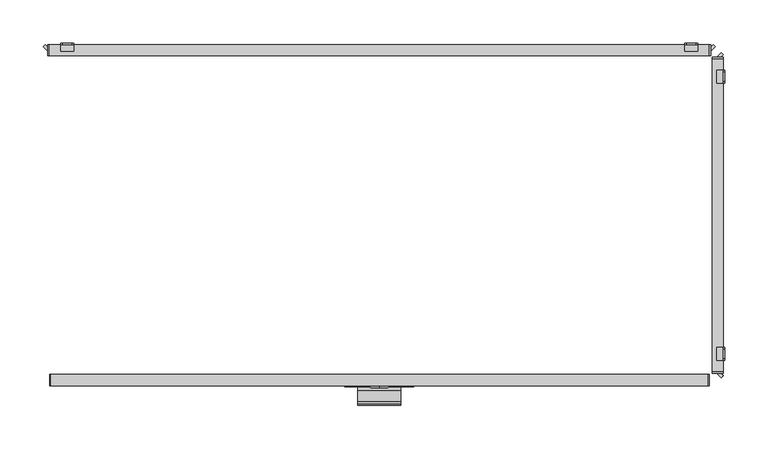
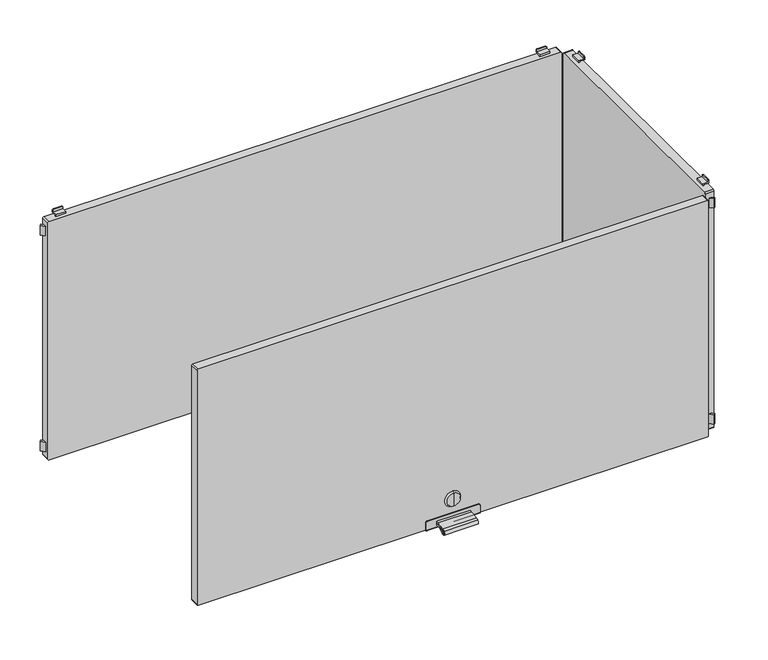
"""IFC4 building model written with IfcOpenShell, lengths in millimetres: furniture geometry."""

from ifc_helpers import new_model, si_unit, point, frame, frame_2d, origin, place, context, project, spatial, polyline, circle_curve, trimmed, segment, composite_curve, outline, extrude, source, transform, mapped, element, save
from ifc_brep_helpers import plane_surface, cylinder_surface, revolved_surface, advanced_brep


def furniture_13b8f301(model_context):
    return source(origin(), model_context, "Body", "SolidModel", [
        extrude(outline(composite_curve([segment(polyline([(-202.226909, 530.4286545), (-198.5, 530.4286545), (-198.5, 528.5286545), (-202.226909, 528.5286545)]), True, "CONTINUOUS"), segment(trimmed(circle_curve(frame_2d((-202.226909, 486.4886922)), 42.0399623), [point((-202.226909, 528.5286545))], [point((-214.4555436, 526.710812))], True, "CARTESIAN"), True, "CONTINUOUS"), segment(trimmed(circle_curve(frame_2d((-212.0259096, 518.7193203)), 8.352668), [point((-214.4555436, 526.710812))], [point((-216.9670362, 525.4537341))], True, "CARTESIAN"), True, "CONTINUOUS"), segment(trimmed(circle_curve(frame_2d((-215.7726745, 523.8259018)), 2.0189943), [point((-216.9670362, 525.4537341))], [point((-214.4167634, 522.3299595))], True, "CARTESIAN"), True, "CONTINUOUS"), segment(trimmed(circle_curve(frame_2d((-202.2269079, 508.8812021)), 18.1510786), [point((-214.4167634, 522.3299595))], [point((-202.2269079, 527.0322806))], False, "CARTESIAN"), True, "CONTINUOUS"), segment(polyline([(-202.2269079, 527.0322806), (-198.5, 527.0322806), (-198.5, 525.1322806), (-202.2269079, 525.1322806)]), True, "CONTINUOUS"), segment(trimmed(circle_curve(frame_2d((-202.2269079, 508.8812021)), 16.2510786), [point((-202.2269079, 525.1322806))], [point((-213.1407662, 520.9221843))], True, "CARTESIAN"), True, "CONTINUOUS"), segment(trimmed(circle_curve(frame_2d((-215.7726745, 523.8259018)), 3.9189943), [point((-213.1407662, 520.9221843))], [point((-218.0910053, 526.9856263))], False, "CARTESIAN"), True, "CONTINUOUS"), segment(trimmed(circle_curve(frame_2d((-212.0259096, 518.7193203)), 10.252668), [point((-218.0910053, 526.9856263))], [point((-215.0082179, 528.5286545))], False, "CARTESIAN"), True, "CONTINUOUS"), segment(trimmed(circle_curve(frame_2d((-202.226909, 486.4886922)), 43.9399623), [point((-215.0082179, 528.5286545))], [point((-202.226909, 530.4286545))], False, "CARTESIAN"), True, "CONTINUOUS")], self_intersect=False)), frame((-25.0, 0.0, 0.0), z_axis=(1.0, 0.0, 0.0), x_axis=(0.0, 1.0, 0.0)), (0.0, 0.0, 1.0), 50.0),
        advanced_brep(
        [(0.0, -199.7, 556.6837841), (0.0, -199.7, 566.6265951), (0.0, -199.7, 546.740973), (0.0, -197.0, 544.8059292), (0.0, -197.0, 568.5616389), (0.0, -197.0, 556.6837841)],
        [
            (0, 1),
            (1, 2, circle_curve(frame((0.0, -199.7, 556.6837841), z_axis=(0.0, -1.0, 0.0), x_axis=(0.0, 0.0, 1.0)), 9.9428111)),
            (2, 0),
            (2, 1, circle_curve(frame((0.0, -199.7, 556.6837841), z_axis=(0.0, -1.0, 0.0), x_axis=(0.0, 0.0, 1.0)), 9.9428111)),
            (3, 4, circle_curve(frame((0.0, -197.0, 556.6837841), z_axis=(0.0, 1.0, 0.0), x_axis=(0.0, 0.0, 1.0)), 11.8778548)),
            (4, 5),
            (5, 3),
            (4, 3, circle_curve(frame((0.0, -197.0, 556.6837841), z_axis=(0.0, 1.0, 0.0), x_axis=(0.0, 0.0, 1.0)), 11.8778548)),
            (1, 4),
            (3, 2),
        ],
        [
            plane_surface(frame((0.0, -199.7, 556.6837841), z_axis=(0.0, -1.0, 0.0), x_axis=(0.0, 0.0, 1.0))),
            plane_surface(frame((0.0, -197.0, 556.6837841), z_axis=(0.0, 1.0, 0.0), x_axis=(0.0, 0.0, 1.0))),
            revolved_surface(polyline([(0.0, -197.0, 568.5616389), (0.0, -199.7, 566.6265951)]), (0.0, -202.2563621, 556.6837841), (0.0, -1.0, 0.0)),
        ],
        [
            (0, [[1, 2, 3]]),
            (0, [[-3, 4, -1]]),
            (1, [[5, 6, 7]]),
            (1, [[8, -7, -6]]),
            (2, [[-2, 9, -5, 10]]),
            (2, [[-4, -10, -8, -9]]),
        ],
    ),
        advanced_brep(
        [(38.2, -198.5, 535.0), (-38.2, -198.5, 535.0), (-40.0, -198.5, 533.2), (-40.0, -198.5, 522.0), (40.0, -198.5, 522.0), (40.0, -198.5, 533.2), (38.2, -197.0, 535.0), (40.0, -197.0, 533.2), (40.0, -197.0, 521.5), (-40.0, -197.0, 521.5), (-40.0, -197.0, 533.2), (-38.2, -197.0, 535.0), (-40.0, -184.0, 521.5), (-40.0, -184.0, 520.0), (-40.0, -196.5, 520.0), (40.0, -196.5, 520.0), (40.0, -184.0, 520.0), (40.0, -184.0, 521.5)],
        [
            (0, 1),
            (1, 2, circle_curve(frame((-38.2, -198.5, 533.2), z_axis=(0.0, -1.0, 0.0), x_axis=(1.0, 0.0, 0.0)), 1.8)),
            (2, 3),
            (3, 4),
            (4, 5),
            (5, 0, circle_curve(frame((38.2, -198.5, 533.2), z_axis=(0.0, -1.0, 0.0), x_axis=(1.0, 0.0, 0.0)), 1.8)),
            (6, 7, circle_curve(frame((38.2, -197.0, 533.2), z_axis=(0.0, 1.0, 0.0), x_axis=(1.0, 0.0, 0.0)), 1.8)),
            (7, 8),
            (8, 9),
            (9, 10),
            (10, 11, circle_curve(frame((-38.2, -197.0, 533.2), z_axis=(0.0, 1.0, 0.0), x_axis=(1.0, 0.0, 0.0)), 1.8)),
            (11, 6),
            (0, 6),
            (11, 1),
            (10, 2),
            (9, 12),
            (12, 13),
            (13, 14),
            (14, 3, circle_curve(frame((-40.0, -196.5, 522.0), z_axis=(-1.0, 0.0, 0.0), x_axis=(0.0, 1.0, 0.0)), 2.0)),
            (4, 15, circle_curve(frame((40.0, -196.5, 522.0), z_axis=(1.0, 0.0, 0.0), x_axis=(0.0, 1.0, 0.0)), 2.0)),
            (15, 16),
            (16, 17),
            (17, 8),
            (7, 5),
            (15, 14),
            (13, 16),
            (12, 17),
        ],
        [
            plane_surface(frame((-40.0, -198.5, 535.0), z_axis=(0.0, -1.0, 0.0), x_axis=(-1.0, 0.0, 0.0))),
            plane_surface(frame((-40.0, -197.0, 535.0), z_axis=(0.0, 1.0, 0.0), x_axis=(1.0, 0.0, 0.0))),
            plane_surface(frame((38.2, -198.5, 535.0), z_axis=(0.0, 0.0, 1.0), x_axis=(0.0, 1.0, 0.0))),
            cylinder_surface(frame((-38.2, -197.0, 533.2), z_axis=(0.0, -1.0, 0.0), x_axis=(1.0, 0.0, 0.0)), 1.8),
            plane_surface(frame((-40.0, -198.5, 533.2), z_axis=(-1.0, 0.0, 0.0), x_axis=(0.0, 1.0, 0.0))),
            plane_surface(frame((40.0, -198.5, 524.5), z_axis=(1.0, 0.0, 0.0), x_axis=(0.0, 1.0, 0.0))),
            cylinder_surface(frame((38.2, -197.0, 533.2), z_axis=(0.0, -1.0, 0.0), x_axis=(1.0, 0.0, 0.0)), 1.8),
            plane_surface(frame((40.0, -196.5, 520.0), z_axis=(0.0, 0.0, -1.0), x_axis=(-1.0, 0.0, 0.0))),
            plane_surface(frame((40.0, -184.0, 520.0), z_axis=(0.0, 1.0, 0.0), x_axis=(-1.0, 0.0, 0.0))),
            plane_surface(frame((40.0, -184.0, 521.5), z_axis=(0.0, 0.0, 1.0), x_axis=(-1.0, 0.0, 0.0))),
            cylinder_surface(frame((-40.0, -196.5, 522.0), z_axis=(1.0, 0.0, 0.0), x_axis=(0.0, 1.0, 0.0)), 2.0),
        ],
        [
            (0, [[1, 2, 3, 4, 5, 6]]),
            (1, [[7, 8, 9, 10, 11, 12]]),
            (2, [[-1, 13, -12, 14]]),
            (3, [[-2, -14, -11, 15]]),
            (4, [[-3, -15, -10, 16, 17, 18, 19]]),
            (5, [[-5, 20, 21, 22, 23, -8, 24]]),
            (6, [[-6, -24, -7, -13]]),
            (7, [[-21, 25, -18, 26]]),
            (8, [[-22, -26, -17, 27]]),
            (9, [[-23, -27, -16, -9]]),
            (10, [[-20, -4, -19, -25]]),
        ],
    ),
        extrude(outline(composite_curve([segment(polyline([(893.5, 379.0), (893.5, -379.0)]), True, "CONTINUOUS"), segment(trimmed(circle_curve(frame_2d((892.0, -379.0)), 1.5), [point((893.5, -379.0))], [point((892.0, -380.5))], False, "CARTESIAN"), True, "CONTINUOUS"), segment(polyline([(892.0, -380.5), (523.0, -380.5)]), True, "CONTINUOUS"), segment(trimmed(circle_curve(frame_2d((523.0, -379.0)), 1.5), [point((523.0, -380.5))], [point((521.5, -379.0))], False, "CARTESIAN"), True, "CONTINUOUS"), segment(polyline([(521.5, -379.0), (521.5, 379.0)]), True, "CONTINUOUS"), segment(trimmed(circle_curve(frame_2d((523.0, 379.0)), 1.5), [point((521.5, 379.0))], [point((523.0, 380.5))], False, "CARTESIAN"), True, "CONTINUOUS"), segment(polyline([(523.0, 380.5), (892.0, 380.5)]), True, "CONTINUOUS"), segment(trimmed(circle_curve(frame_2d((892.0, 379.0)), 1.5), [point((892.0, 380.5))], [point((893.5, 379.0))], False, "CARTESIAN"), True, "CONTINUOUS")], self_intersect=False)), frame((0.0, -197.0, 0.0), z_axis=(0.0, 1.0, 0.0), x_axis=(0.0, 0.0, 1.0)), (0.0, 0.0, 1.0), 13.0),
        advanced_brep(
        [(352.5, 197.0, 515.5), (354.5, 197.0, 513.5), (365.5, 197.0, 513.5), (367.5, 197.0, 515.5), (367.5, 197.0, 517.0), (352.5, 197.0, 517.0), (352.5, 198.5, 518.5), (367.5, 198.5, 518.5), (367.5, 198.5, 515.5), (365.5, 198.5, 513.5), (354.5, 198.5, 513.5), (352.5, 198.5, 515.5), (352.5, 189.5011497, 517.0), (352.5, 189.5011497, 520.0), (352.5, 191.0011497, 520.0), (352.5, 191.0011497, 518.5), (367.5, 191.0011497, 518.5), (367.5, 191.0011497, 520.0), (367.5, 189.5011497, 520.0), (367.5, 189.5011497, 517.0)],
        [
            (0, 1, circle_curve(frame((354.5, 197.0, 515.5), z_axis=(0.0, -1.0, 0.0), x_axis=(1.0, 0.0, 0.0)), 2.0)),
            (1, 2),
            (2, 3, circle_curve(frame((365.5, 197.0, 515.5), z_axis=(0.0, -1.0, 0.0), x_axis=(1.0, 0.0, 0.0)), 2.0)),
            (3, 4),
            (4, 5),
            (5, 0),
            (6, 7),
            (7, 8),
            (8, 9, circle_curve(frame((365.5, 198.5, 515.5), z_axis=(0.0, 1.0, 0.0), x_axis=(1.0, 0.0, 0.0)), 2.0)),
            (9, 10),
            (10, 11, circle_curve(frame((354.5, 198.5, 515.5), z_axis=(0.0, 1.0, 0.0), x_axis=(1.0, 0.0, 0.0)), 2.0)),
            (11, 6),
            (11, 0),
            (5, 12),
            (12, 13),
            (13, 14),
            (14, 15),
            (15, 6),
            (10, 1),
            (9, 2),
            (8, 3),
            (7, 16),
            (16, 17),
            (17, 18),
            (18, 19),
            (19, 4),
            (15, 16),
            (12, 19),
            (18, 13),
            (17, 14),
        ],
        [
            plane_surface(frame((352.5, 197.0, 517.0), z_axis=(0.0, -1.0, 0.0), x_axis=(0.0, 0.0, -1.0))),
            plane_surface(frame((352.5, 198.5, 517.0), z_axis=(0.0, 1.0, 0.0), x_axis=(0.0, 0.0, 1.0))),
            plane_surface(frame((352.5, 197.0, 518.5), z_axis=(-1.0, 0.0, 0.0), x_axis=(0.0, 1.0, 0.0))),
            cylinder_surface(frame((354.5, 198.5, 515.5), z_axis=(0.0, -1.0, 0.0), x_axis=(1.0, 0.0, 0.0)), 2.0),
            plane_surface(frame((354.5, 197.0, 513.5), z_axis=(0.0, 0.0, -1.0), x_axis=(0.0, 1.0, 0.0))),
            cylinder_surface(frame((365.5, 198.5, 515.5), z_axis=(0.0, -1.0, 0.0), x_axis=(1.0, 0.0, 0.0)), 2.0),
            plane_surface(frame((367.5, 197.0, 515.5), z_axis=(1.0, 0.0, 0.0), x_axis=(0.0, 1.0, 0.0))),
            plane_surface(frame((367.5, 197.0, 518.5), z_axis=(0.0, 0.0, 1.0), x_axis=(0.0, 1.0, 0.0))),
            plane_surface(frame((352.5, 189.5011497, 517.0), z_axis=(0.0, -1.0, 0.0), x_axis=(1.0, 0.0, 0.0))),
            plane_surface(frame((352.5, 189.5011497, 520.0), z_axis=(0.0, 0.0, 1.0), x_axis=(1.0, 0.0, 0.0))),
            plane_surface(frame((352.5, 191.0011497, 520.0), z_axis=(0.0, 1.0, 0.0), x_axis=(1.0, 0.0, 0.0))),
            plane_surface(frame((352.5, 197.0, 517.0), z_axis=(0.0, 0.0, -1.0), x_axis=(1.0, 0.0, 0.0))),
        ],
        [
            (0, [[1, 2, 3, 4, 5, 6]]),
            (1, [[7, 8, 9, 10, 11, 12]]),
            (2, [[-12, 13, -6, 14, 15, 16, 17, 18]]),
            (3, [[-1, -13, -11, 19]]),
            (4, [[-2, -19, -10, 20]]),
            (5, [[-3, -20, -9, 21]]),
            (6, [[-8, 22, 23, 24, 25, 26, -4, -21]]),
            (7, [[-22, -7, -18, 27]]),
            (8, [[-15, 28, -25, 29]]),
            (9, [[-16, -29, -24, 30]]),
            (10, [[-17, -30, -23, -27]]),
            (11, [[-14, -5, -26, -28]]),
        ],
    ),
        advanced_brep(
        [(-367.5, 197.0, 515.5), (-365.5, 197.0, 513.5), (-354.5, 197.0, 513.5), (-352.5, 197.0, 515.5), (-352.5, 197.0, 517.0), (-367.5, 197.0, 517.0), (-352.5, 198.5, 518.5), (-352.5, 198.5, 515.5), (-354.5, 198.5, 513.5), (-365.5, 198.5, 513.5), (-367.5, 198.5, 515.5), (-367.5, 198.5, 518.5), (-367.5, 191.0011497, 518.5), (-352.5, 191.0011497, 518.5), (-367.5, 189.5011497, 517.0), (-367.5, 189.5011497, 520.0), (-367.5, 191.0011497, 520.0), (-352.5, 191.0011497, 520.0), (-352.5, 189.5011497, 520.0), (-352.5, 189.5011497, 517.0)],
        [
            (0, 1, circle_curve(frame((-365.5, 197.0, 515.5), z_axis=(0.0, -1.0, 0.0), x_axis=(1.0, 0.0, 0.0)), 2.0)),
            (1, 2),
            (2, 3, circle_curve(frame((-354.5, 197.0, 515.5), z_axis=(0.0, -1.0, 0.0), x_axis=(1.0, 0.0, 0.0)), 2.0)),
            (3, 4),
            (4, 5),
            (5, 0),
            (6, 7),
            (7, 8, circle_curve(frame((-354.5, 198.5, 515.5), z_axis=(0.0, 1.0, 0.0), x_axis=(1.0, 0.0, 0.0)), 2.0)),
            (8, 9),
            (9, 10, circle_curve(frame((-365.5, 198.5, 515.5), z_axis=(0.0, 1.0, 0.0), x_axis=(1.0, 0.0, 0.0)), 2.0)),
            (10, 11),
            (11, 6),
            (11, 12),
            (12, 13),
            (13, 6),
            (10, 0),
            (5, 14),
            (14, 15),
            (15, 16),
            (16, 12),
            (9, 1),
            (8, 2),
            (7, 3),
            (13, 17),
            (17, 18),
            (18, 19),
            (19, 4),
            (18, 15),
            (14, 19),
            (17, 16),
        ],
        [
            plane_surface(frame((352.5, 197.0, 517.0), z_axis=(0.0, -1.0, 0.0), x_axis=(0.0, 0.0, -1.0))),
            plane_surface(frame((352.5, 198.5, 517.0), z_axis=(0.0, 1.0, 0.0), x_axis=(0.0, 0.0, 1.0))),
            plane_surface(frame((-352.5, 197.0, 518.5), z_axis=(0.0, 0.0, 1.0), x_axis=(0.0, 1.0, 0.0))),
            plane_surface(frame((-367.5, 197.0, 518.5), z_axis=(-1.0, 0.0, 0.0), x_axis=(0.0, 1.0, 0.0))),
            cylinder_surface(frame((-365.5, 200.0, 515.5), z_axis=(0.0, -1.0, 0.0), x_axis=(1.0, 0.0, 0.0)), 2.0),
            plane_surface(frame((-365.5, 197.0, 513.5), z_axis=(0.0, 0.0, -1.0), x_axis=(0.0, 1.0, 0.0))),
            cylinder_surface(frame((-354.5, 200.0, 515.5), z_axis=(0.0, -1.0, 0.0), x_axis=(1.0, 0.0, 0.0)), 2.0),
            plane_surface(frame((-352.5, 197.0, 515.5), z_axis=(1.0, 0.0, 0.0), x_axis=(0.0, 1.0, 0.0))),
            plane_surface(frame((-352.5, 189.5011497, 520.0), z_axis=(0.0, -1.0, 0.0), x_axis=(-1.0, 0.0, 0.0))),
            plane_surface(frame((-352.5, 191.0011497, 520.0), z_axis=(0.0, 0.0, 1.0), x_axis=(-1.0, 0.0, 0.0))),
            plane_surface(frame((-352.5, 191.0011497, 518.5), z_axis=(0.0, 1.0, 0.0), x_axis=(-1.0, 0.0, 0.0))),
            plane_surface(frame((-352.5, 189.5011497, 517.0), z_axis=(0.0, 0.0, -1.0), x_axis=(-1.0, 0.0, 0.0))),
        ],
        [
            (0, [[1, 2, 3, 4, 5, 6]]),
            (1, [[7, 8, 9, 10, 11, 12]]),
            (2, [[-12, 13, 14, 15]]),
            (3, [[-11, 16, -6, 17, 18, 19, 20, -13]]),
            (4, [[-1, -16, -10, 21]]),
            (5, [[-2, -21, -9, 22]]),
            (6, [[-3, -22, -8, 23]]),
            (7, [[-7, -15, 24, 25, 26, 27, -4, -23]]),
            (8, [[-26, 28, -18, 29]]),
            (9, [[-25, 30, -19, -28]]),
            (10, [[-24, -14, -20, -30]]),
            (11, [[-27, -29, -17, -5]]),
        ],
    ),
        advanced_brep(
        [(367.5, 197.0, 899.5), (365.5, 197.0, 901.5), (354.5, 197.0, 901.5), (352.5, 197.0, 899.5), (352.5, 197.0, 898.0), (367.5, 197.0, 898.0), (352.5, 198.5, 896.5), (352.5, 198.5, 899.5), (354.5, 198.5, 901.5), (365.5, 198.5, 901.5), (367.5, 198.5, 899.5), (367.5, 198.5, 896.5), (352.5, 189.5011497, 898.0), (352.5, 191.0011497, 896.5), (352.5, 191.0011497, 895.0), (352.5, 189.5011497, 895.0), (367.5, 189.5011497, 898.0), (367.5, 189.5011497, 895.0), (367.5, 191.0011497, 895.0), (367.5, 191.0011497, 896.5)],
        [
            (0, 1, circle_curve(frame((365.5, 197.0, 899.5), z_axis=(0.0, -1.0, 0.0), x_axis=(1.0, 0.0, 0.0)), 2.0)),
            (1, 2),
            (2, 3, circle_curve(frame((354.5, 197.0, 899.5), z_axis=(0.0, -1.0, 0.0), x_axis=(1.0, 0.0, 0.0)), 2.0)),
            (3, 4),
            (4, 5),
            (5, 0),
            (6, 7),
            (7, 8, circle_curve(frame((354.5, 198.5, 899.5), z_axis=(0.0, 1.0, 0.0), x_axis=(1.0, 0.0, 0.0)), 2.0)),
            (8, 9),
            (9, 10, circle_curve(frame((365.5, 198.5, 899.5), z_axis=(0.0, 1.0, 0.0), x_axis=(1.0, 0.0, 0.0)), 2.0)),
            (10, 11),
            (11, 6),
            (12, 4),
            (3, 7),
            (6, 13),
            (13, 14),
            (14, 15),
            (15, 12),
            (16, 17),
            (17, 18),
            (18, 19),
            (19, 11),
            (10, 0),
            (5, 16),
            (19, 13),
            (9, 1),
            (8, 2),
            (12, 16),
            (18, 14),
            (17, 15),
        ],
        [
            plane_surface(frame((352.5, 197.0, 517.0), z_axis=(0.0, -1.0, 0.0), x_axis=(0.0, 0.0, -1.0))),
            plane_surface(frame((352.5, 198.5, 517.0), z_axis=(0.0, 1.0, 0.0), x_axis=(0.0, 0.0, 1.0))),
            plane_surface(frame((352.5, 197.0, 518.5), z_axis=(-1.0, 0.0, 0.0), x_axis=(0.0, 1.0, 0.0))),
            plane_surface(frame((367.5, 197.0, 515.5), z_axis=(1.0, 0.0, 0.0), x_axis=(0.0, 1.0, 0.0))),
            plane_surface(frame((352.5, 197.0, 896.5), z_axis=(0.0, 0.0, -1.0), x_axis=(0.0, 1.0, 0.0))),
            cylinder_surface(frame((365.5, 200.0, 899.5), z_axis=(0.0, -1.0, 0.0), x_axis=(1.0, 0.0, 0.0)), 2.0),
            plane_surface(frame((365.5, 197.0, 901.5), z_axis=(0.0, 0.0, 1.0), x_axis=(0.0, 1.0, 0.0))),
            cylinder_surface(frame((354.5, 200.0, 899.5), z_axis=(0.0, -1.0, 0.0), x_axis=(1.0, 0.0, 0.0)), 2.0),
            plane_surface(frame((352.5, 189.5011497, 898.0), z_axis=(0.0, 0.0, 1.0), x_axis=(1.0, 0.0, 0.0))),
            plane_surface(frame((352.5, 191.0011497, 896.5), z_axis=(0.0, 1.0, 0.0), x_axis=(1.0, 0.0, 0.0))),
            plane_surface(frame((352.5, 191.0011497, 895.0), z_axis=(0.0, 0.0, -1.0), x_axis=(1.0, 0.0, 0.0))),
            plane_surface(frame((352.5, 189.5011497, 895.0), z_axis=(0.0, -1.0, 0.0), x_axis=(1.0, 0.0, 0.0))),
        ],
        [
            (0, [[1, 2, 3, 4, 5, 6]]),
            (1, [[7, 8, 9, 10, 11, 12]]),
            (2, [[13, -4, 14, -7, 15, 16, 17, 18]]),
            (3, [[19, 20, 21, 22, -11, 23, -6, 24]]),
            (4, [[-15, -12, -22, 25]]),
            (5, [[-1, -23, -10, 26]]),
            (6, [[-2, -26, -9, 27]]),
            (7, [[-3, -27, -8, -14]]),
            (8, [[-13, 28, -24, -5]]),
            (9, [[-16, -25, -21, 29]]),
            (10, [[-17, -29, -20, 30]]),
            (11, [[-18, -30, -19, -28]]),
        ],
    ),
        advanced_brep(
        [(-352.5, 197.0, 899.5), (-354.5, 197.0, 901.5), (-365.5, 197.0, 901.5), (-367.5, 197.0, 899.5), (-367.5, 197.0, 898.0), (-352.5, 197.0, 898.0), (-352.5, 198.5, 896.5), (-367.5, 198.5, 896.5), (-367.5, 198.5, 899.5), (-365.5, 198.5, 901.5), (-354.5, 198.5, 901.5), (-352.5, 198.5, 899.5), (-367.5, 191.0011497, 896.5), (-367.5, 191.0011497, 895.0), (-367.5, 189.5011497, 895.0), (-367.5, 189.5011497, 898.0), (-352.5, 189.5011497, 898.0), (-352.5, 189.5011497, 895.0), (-352.5, 191.0011497, 895.0), (-352.5, 191.0011497, 896.5)],
        [
            (0, 1, circle_curve(frame((-354.5, 197.0, 899.5), z_axis=(0.0, -1.0, 0.0), x_axis=(1.0, 0.0, 0.0)), 2.0)),
            (1, 2),
            (2, 3, circle_curve(frame((-365.5, 197.0, 899.5), z_axis=(0.0, -1.0, 0.0), x_axis=(1.0, 0.0, 0.0)), 2.0)),
            (3, 4),
            (4, 5),
            (5, 0),
            (6, 7),
            (7, 8),
            (8, 9, circle_curve(frame((-365.5, 198.5, 899.5), z_axis=(0.0, 1.0, 0.0), x_axis=(1.0, 0.0, 0.0)), 2.0)),
            (9, 10),
            (10, 11, circle_curve(frame((-354.5, 198.5, 899.5), z_axis=(0.0, 1.0, 0.0), x_axis=(1.0, 0.0, 0.0)), 2.0)),
            (11, 6),
            (7, 12),
            (12, 13),
            (13, 14),
            (14, 15),
            (15, 4),
            (3, 8),
            (11, 0),
            (5, 16),
            (16, 17),
            (17, 18),
            (18, 19),
            (19, 6),
            (10, 1),
            (9, 2),
            (19, 12),
            (15, 16),
            (18, 13),
            (17, 14),
        ],
        [
            plane_surface(frame((352.5, 197.0, 517.0), z_axis=(0.0, -1.0, 0.0), x_axis=(0.0, 0.0, -1.0))),
            plane_surface(frame((352.5, 198.5, 517.0), z_axis=(0.0, 1.0, 0.0), x_axis=(0.0, 0.0, 1.0))),
            plane_surface(frame((-367.5, 197.0, 518.5), z_axis=(-1.0, 0.0, 0.0), x_axis=(0.0, 1.0, 0.0))),
            plane_surface(frame((-352.5, 197.0, 515.5), z_axis=(1.0, 0.0, 0.0), x_axis=(0.0, 1.0, 0.0))),
            cylinder_surface(frame((-354.5, 200.0, 899.5), z_axis=(0.0, -1.0, 0.0), x_axis=(1.0, 0.0, 0.0)), 2.0),
            plane_surface(frame((-354.5, 197.0, 901.5), z_axis=(0.0, 0.0, 1.0), x_axis=(0.0, 1.0, 0.0))),
            cylinder_surface(frame((-365.5, 200.0, 899.5), z_axis=(0.0, -1.0, 0.0), x_axis=(1.0, 0.0, 0.0)), 2.0),
            plane_surface(frame((-367.5, 197.0, 896.5), z_axis=(0.0, 0.0, -1.0), x_axis=(0.0, 1.0, 0.0))),
            plane_surface(frame((-352.5, 197.0, 898.0), z_axis=(0.0, 0.0, 1.0), x_axis=(-1.0, 0.0, 0.0))),
            plane_surface(frame((-352.5, 191.0011497, 895.0), z_axis=(0.0, 1.0, 0.0), x_axis=(-1.0, 0.0, 0.0))),
            plane_surface(frame((-352.5, 189.5011497, 895.0), z_axis=(0.0, 0.0, -1.0), x_axis=(-1.0, 0.0, 0.0))),
            plane_surface(frame((-352.5, 189.5011497, 898.0), z_axis=(0.0, -1.0, 0.0), x_axis=(-1.0, 0.0, 0.0))),
        ],
        [
            (0, [[1, 2, 3, 4, 5, 6]]),
            (1, [[7, 8, 9, 10, 11, 12]]),
            (2, [[-8, 13, 14, 15, 16, 17, -4, 18]]),
            (3, [[-12, 19, -6, 20, 21, 22, 23, 24]]),
            (4, [[-1, -19, -11, 25]]),
            (5, [[-2, -25, -10, 26]]),
            (6, [[-3, -26, -9, -18]]),
            (7, [[-7, -24, 27, -13]]),
            (8, [[-20, -5, -17, 28]]),
            (9, [[-23, 29, -14, -27]]),
            (10, [[-22, 30, -15, -29]]),
            (11, [[-21, -28, -16, -30]]),
        ],
    ),
        extrude(outline(polyline([(-385.3223305, 197.0), (-382.5, 194.1776695), (-382.5, 189.5011497), (-387.6605904, 194.6617401), (-385.3223305, 197.0)])), frame((0.0, 0.0, 530.0), z_axis=(0.0, 0.0, 1.0), x_axis=(1.0, 0.0, 0.0)), (0.0, 0.0, 1.0), 15.0),
        extrude(outline(polyline([(385.3223305, 197.0), (387.6605904, 194.6617401), (382.5, 189.5011497), (382.5, 194.1776695), (385.3223305, 197.0)])), frame((0.0, 0.0, 530.0), z_axis=(0.0, 0.0, 1.0), x_axis=(1.0, 0.0, 0.0)), (0.0, 0.0, 1.0), 15.0),
        extrude(outline(composite_curve([segment(trimmed(circle_curve(frame_2d((893.2, 380.7)), 1.8), [point((893.2, 382.5))], [point((895.0, 380.7))], False, "CARTESIAN"), True, "CONTINUOUS"), segment(polyline([(895.0, 380.7), (895.0, -380.7)]), True, "CONTINUOUS"), segment(trimmed(circle_curve(frame_2d((893.2, -380.7)), 1.8), [point((895.0, -380.7))], [point((893.2, -382.5))], False, "CARTESIAN"), True, "CONTINUOUS"), segment(polyline([(893.2, -382.5), (521.8, -382.5)]), True, "CONTINUOUS"), segment(trimmed(circle_curve(frame_2d((521.8, -380.7)), 1.8), [point((521.8, -382.5))], [point((520.0, -380.7))], False, "CARTESIAN"), True, "CONTINUOUS"), segment(polyline([(520.0, -380.7), (520.0, 380.7)]), True, "CONTINUOUS"), segment(trimmed(circle_curve(frame_2d((521.8, 380.7)), 1.8), [point((520.0, 380.7))], [point((521.8, 382.5))], False, "CARTESIAN"), True, "CONTINUOUS"), segment(polyline([(521.8, 382.5), (893.2, 382.5)]), True, "CONTINUOUS")], self_intersect=False)), frame((0.0, 183.999795, 0.0), z_axis=(0.0, 1.0, 0.0), x_axis=(0.0, 0.0, 1.0)), (0.0, 0.0, 1.0), 13.000205),
        extrude(outline(polyline([(-385.3223305, 197.0), (-382.5, 194.1776695), (-382.5, 189.5011497), (-387.6605904, 194.6617401), (-385.3223305, 197.0)])), frame((0.0, 0.0, 870.0), z_axis=(0.0, 0.0, 1.0), x_axis=(1.0, 0.0, 0.0)), (0.0, 0.0, 1.0), 15.0),
        extrude(outline(polyline([(385.3223305, 197.0), (387.6605904, 194.6617401), (382.5, 189.5011497), (382.5, 194.1776695), (385.3223305, 197.0)])), frame((0.0, 0.0, 870.0), z_axis=(0.0, 0.0, 1.0), x_axis=(1.0, 0.0, 0.0)), (0.0, 0.0, 1.0), 15.0),
        advanced_brep(
        [(397.0, 152.5, 515.5), (397.0, 152.5, 517.0), (397.0, 167.5, 517.0), (397.0, 167.5, 515.5), (397.0, 165.5, 513.5), (397.0, 154.5, 513.5), (398.5, 152.5, 518.5), (398.5, 152.5, 515.5), (398.5, 154.5, 513.5), (398.5, 165.5, 513.5), (398.5, 167.5, 515.5), (398.5, 167.5, 518.5), (391.0011497, 152.5, 518.5), (391.0011497, 152.5, 520.0), (389.5011497, 152.5, 520.0), (389.5011497, 152.5, 517.0), (389.5011497, 167.5, 517.0), (389.5011497, 167.5, 520.0), (391.0011497, 167.5, 520.0), (391.0011497, 167.5, 518.5)],
        [
            (0, 1),
            (1, 2),
            (2, 3),
            (3, 4, circle_curve(frame((397.0, 165.5, 515.5), z_axis=(-1.0, 0.0, 0.0), x_axis=(0.0, 1.0, 0.0)), 2.0)),
            (4, 5),
            (5, 0, circle_curve(frame((397.0, 154.5, 515.5), z_axis=(-1.0, 0.0, 0.0), x_axis=(0.0, 1.0, 0.0)), 2.0)),
            (6, 7),
            (7, 8, circle_curve(frame((398.5, 154.5, 515.5), z_axis=(1.0, 0.0, 0.0), x_axis=(0.0, 1.0, 0.0)), 2.0)),
            (8, 9),
            (9, 10, circle_curve(frame((398.5, 165.5, 515.5), z_axis=(1.0, 0.0, 0.0), x_axis=(0.0, 1.0, 0.0)), 2.0)),
            (10, 11),
            (11, 6),
            (6, 12),
            (12, 13),
            (13, 14),
            (14, 15),
            (15, 1),
            (0, 7),
            (5, 8),
            (4, 9),
            (3, 10),
            (2, 16),
            (16, 17),
            (17, 18),
            (18, 19),
            (19, 11),
            (19, 12),
            (14, 17),
            (16, 15),
            (13, 18),
        ],
        [
            plane_surface(frame((397.0, 152.5, 517.0), z_axis=(-1.0, 0.0, 0.0), x_axis=(0.0, 0.0, -1.0))),
            plane_surface(frame((398.5, 152.5, 517.0), z_axis=(1.0, 0.0, 0.0), x_axis=(0.0, 0.0, 1.0))),
            plane_surface(frame((397.0, 152.5, 518.5), z_axis=(0.0, -1.0, 0.0), x_axis=(1.0, 0.0, 0.0))),
            cylinder_surface(frame((398.5, 154.5, 515.5), z_axis=(-1.0, 0.0, 0.0), x_axis=(0.0, 1.0, 0.0)), 2.0),
            plane_surface(frame((397.0, 154.5, 513.5), z_axis=(0.0, 0.0, -1.0), x_axis=(1.0, 0.0, 0.0))),
            cylinder_surface(frame((398.5, 165.5, 515.5), z_axis=(-1.0, 0.0, 0.0), x_axis=(0.0, 1.0, 0.0)), 2.0),
            plane_surface(frame((397.0, 167.5, 515.5), z_axis=(0.0, 1.0, 0.0), x_axis=(1.0, 0.0, 0.0))),
            plane_surface(frame((397.0, 167.5, 518.5), z_axis=(0.0, 0.0, 1.0), x_axis=(1.0, 0.0, 0.0))),
            plane_surface(frame((389.5011497, 152.5, 517.0), z_axis=(-1.0, 0.0, 0.0), x_axis=(0.0, 1.0, 0.0))),
            plane_surface(frame((389.5011497, 152.5, 520.0), z_axis=(0.0, 0.0, 1.0), x_axis=(0.0, 1.0, 0.0))),
            plane_surface(frame((391.0011497, 152.5, 520.0), z_axis=(1.0, 0.0, 0.0), x_axis=(0.0, 1.0, 0.0))),
            plane_surface(frame((397.0, 152.5, 517.0), z_axis=(0.0, 0.0, -1.0), x_axis=(0.0, 1.0, 0.0))),
        ],
        [
            (0, [[1, 2, 3, 4, 5, 6]]),
            (1, [[7, 8, 9, 10, 11, 12]]),
            (2, [[13, 14, 15, 16, 17, -1, 18, -7]]),
            (3, [[19, -8, -18, -6]]),
            (4, [[20, -9, -19, -5]]),
            (5, [[21, -10, -20, -4]]),
            (6, [[-21, -3, 22, 23, 24, 25, 26, -11]]),
            (7, [[27, -13, -12, -26]]),
            (8, [[28, -23, 29, -16]]),
            (9, [[30, -24, -28, -15]]),
            (10, [[-27, -25, -30, -14]]),
            (11, [[-29, -22, -2, -17]]),
        ],
    ),
        advanced_brep(
        [(397.0, -167.5, 515.5), (397.0, -167.5, 517.0), (397.0, -152.5, 517.0), (397.0, -152.5, 515.5), (397.0, -154.5, 513.5), (397.0, -165.5, 513.5), (398.5, -152.5, 518.5), (398.5, -167.5, 518.5), (398.5, -167.5, 515.5), (398.5, -165.5, 513.5), (398.5, -154.5, 513.5), (398.5, -152.5, 515.5), (391.0011497, -152.5, 518.5), (391.0011497, -167.5, 518.5), (391.0011497, -167.5, 520.0), (389.5011497, -167.5, 520.0), (389.5011497, -167.5, 517.0), (389.5011497, -152.5, 517.0), (389.5011497, -152.5, 520.0), (391.0011497, -152.5, 520.0)],
        [
            (0, 1),
            (1, 2),
            (2, 3),
            (3, 4, circle_curve(frame((397.0, -154.5, 515.5), z_axis=(-1.0, 0.0, 0.0), x_axis=(0.0, 1.0, 0.0)), 2.0)),
            (4, 5),
            (5, 0, circle_curve(frame((397.0, -165.5, 515.5), z_axis=(-1.0, 0.0, 0.0), x_axis=(0.0, 1.0, 0.0)), 2.0)),
            (6, 7),
            (7, 8),
            (8, 9, circle_curve(frame((398.5, -165.5, 515.5), z_axis=(1.0, 0.0, 0.0), x_axis=(0.0, 1.0, 0.0)), 2.0)),
            (9, 10),
            (10, 11, circle_curve(frame((398.5, -154.5, 515.5), z_axis=(1.0, 0.0, 0.0), x_axis=(0.0, 1.0, 0.0)), 2.0)),
            (11, 6),
            (6, 12),
            (12, 13),
            (13, 7),
            (13, 14),
            (14, 15),
            (15, 16),
            (16, 1),
            (0, 8),
            (5, 9),
            (4, 10),
            (3, 11),
            (2, 17),
            (17, 18),
            (18, 19),
            (19, 12),
            (17, 16),
            (15, 18),
            (14, 19),
        ],
        [
            plane_surface(frame((397.0, 152.5, 517.0), z_axis=(-1.0, 0.0, 0.0), x_axis=(0.0, 0.0, -1.0))),
            plane_surface(frame((398.5, 152.5, 517.0), z_axis=(1.0, 0.0, 0.0), x_axis=(0.0, 0.0, 1.0))),
            plane_surface(frame((397.0, -152.5, 518.5), z_axis=(0.0, 0.0, 1.0), x_axis=(1.0, 0.0, 0.0))),
            plane_surface(frame((397.0, -167.5, 518.5), z_axis=(0.0, -1.0, 0.0), x_axis=(1.0, 0.0, 0.0))),
            cylinder_surface(frame((400.0, -165.5, 515.5), z_axis=(-1.0, 0.0, 0.0), x_axis=(0.0, 1.0, 0.0)), 2.0),
            plane_surface(frame((397.0, -165.5, 513.5), z_axis=(0.0, 0.0, -1.0), x_axis=(1.0, 0.0, 0.0))),
            cylinder_surface(frame((400.0, -154.5, 515.5), z_axis=(-1.0, 0.0, 0.0), x_axis=(0.0, 1.0, 0.0)), 2.0),
            plane_surface(frame((397.0, -152.5, 515.5), z_axis=(0.0, 1.0, 0.0), x_axis=(1.0, 0.0, 0.0))),
            plane_surface(frame((389.5011497, -152.5, 520.0), z_axis=(-1.0, 0.0, 0.0), x_axis=(0.0, -1.0, 0.0))),
            plane_surface(frame((391.0011497, -152.5, 520.0), z_axis=(0.0, 0.0, 1.0), x_axis=(0.0, -1.0, 0.0))),
            plane_surface(frame((391.0011497, -152.5, 518.5), z_axis=(1.0, 0.0, 0.0), x_axis=(0.0, -1.0, 0.0))),
            plane_surface(frame((389.5011497, -152.5, 517.0), z_axis=(0.0, 0.0, -1.0), x_axis=(0.0, -1.0, 0.0))),
        ],
        [
            (0, [[1, 2, 3, 4, 5, 6]]),
            (1, [[7, 8, 9, 10, 11, 12]]),
            (2, [[13, 14, 15, -7]]),
            (3, [[-15, 16, 17, 18, 19, -1, 20, -8]]),
            (4, [[21, -9, -20, -6]]),
            (5, [[22, -10, -21, -5]]),
            (6, [[23, -11, -22, -4]]),
            (7, [[-23, -3, 24, 25, 26, 27, -13, -12]]),
            (8, [[28, -18, 29, -25]]),
            (9, [[-29, -17, 30, -26]]),
            (10, [[-30, -16, -14, -27]]),
            (11, [[-2, -19, -28, -24]]),
        ],
    ),
        advanced_brep(
        [(397.0, 167.5, 899.5), (397.0, 167.5, 898.0), (397.0, 152.5, 898.0), (397.0, 152.5, 899.5), (397.0, 154.5, 901.5), (397.0, 165.5, 901.5), (398.5, 152.5, 896.5), (398.5, 167.5, 896.5), (398.5, 167.5, 899.5), (398.5, 165.5, 901.5), (398.5, 154.5, 901.5), (398.5, 152.5, 899.5), (389.5011497, 152.5, 898.0), (389.5011497, 152.5, 895.0), (391.0011497, 152.5, 895.0), (391.0011497, 152.5, 896.5), (389.5011497, 167.5, 898.0), (391.0011497, 167.5, 896.5), (391.0011497, 167.5, 895.0), (389.5011497, 167.5, 895.0)],
        [
            (0, 1),
            (1, 2),
            (2, 3),
            (3, 4, circle_curve(frame((397.0, 154.5, 899.5), z_axis=(-1.0, 0.0, 0.0), x_axis=(0.0, 1.0, 0.0)), 2.0)),
            (4, 5),
            (5, 0, circle_curve(frame((397.0, 165.5, 899.5), z_axis=(-1.0, 0.0, 0.0), x_axis=(0.0, 1.0, 0.0)), 2.0)),
            (6, 7),
            (7, 8),
            (8, 9, circle_curve(frame((398.5, 165.5, 899.5), z_axis=(1.0, 0.0, 0.0), x_axis=(0.0, 1.0, 0.0)), 2.0)),
            (9, 10),
            (10, 11, circle_curve(frame((398.5, 154.5, 899.5), z_axis=(1.0, 0.0, 0.0), x_axis=(0.0, 1.0, 0.0)), 2.0)),
            (11, 6),
            (12, 13),
            (13, 14),
            (14, 15),
            (15, 6),
            (11, 3),
            (2, 12),
            (16, 1),
            (0, 8),
            (7, 17),
            (17, 18),
            (18, 19),
            (19, 16),
            (15, 17),
            (5, 9),
            (4, 10),
            (16, 12),
            (14, 18),
            (13, 19),
        ],
        [
            plane_surface(frame((397.0, 152.5, 517.0), z_axis=(-1.0, 0.0, 0.0), x_axis=(0.0, 0.0, -1.0))),
            plane_surface(frame((398.5, 152.5, 517.0), z_axis=(1.0, 0.0, 0.0), x_axis=(0.0, 0.0, 1.0))),
            plane_surface(frame((397.0, 152.5, 518.5), z_axis=(0.0, -1.0, 0.0), x_axis=(1.0, 0.0, 0.0))),
            plane_surface(frame((397.0, 167.5, 515.5), z_axis=(0.0, 1.0, 0.0), x_axis=(1.0, 0.0, 0.0))),
            plane_surface(frame((397.0, 152.5, 896.5), z_axis=(0.0, 0.0, -1.0), x_axis=(1.0, 0.0, 0.0))),
            cylinder_surface(frame((400.0, 165.5, 899.5), z_axis=(-1.0, 0.0, 0.0), x_axis=(0.0, 1.0, 0.0)), 2.0),
            plane_surface(frame((397.0, 165.5, 901.5), z_axis=(0.0, 0.0, 1.0), x_axis=(1.0, 0.0, 0.0))),
            cylinder_surface(frame((400.0, 154.5, 899.5), z_axis=(-1.0, 0.0, 0.0), x_axis=(0.0, 1.0, 0.0)), 2.0),
            plane_surface(frame((389.5011497, 152.5, 898.0), z_axis=(0.0, 0.0, 1.0), x_axis=(0.0, 1.0, 0.0))),
            plane_surface(frame((391.0011497, 152.5, 896.5), z_axis=(1.0, 0.0, 0.0), x_axis=(0.0, 1.0, 0.0))),
            plane_surface(frame((391.0011497, 152.5, 895.0), z_axis=(0.0, 0.0, -1.0), x_axis=(0.0, 1.0, 0.0))),
            plane_surface(frame((389.5011497, 152.5, 895.0), z_axis=(-1.0, 0.0, 0.0), x_axis=(0.0, 1.0, 0.0))),
        ],
        [
            (0, [[1, 2, 3, 4, 5, 6]]),
            (1, [[7, 8, 9, 10, 11, 12]]),
            (2, [[13, 14, 15, 16, -12, 17, -3, 18]]),
            (3, [[19, -1, 20, -8, 21, 22, 23, 24]]),
            (4, [[25, -21, -7, -16]]),
            (5, [[26, -9, -20, -6]]),
            (6, [[27, -10, -26, -5]]),
            (7, [[-17, -11, -27, -4]]),
            (8, [[-2, -19, 28, -18]]),
            (9, [[29, -22, -25, -15]]),
            (10, [[30, -23, -29, -14]]),
            (11, [[-28, -24, -30, -13]]),
        ],
    ),
        advanced_brep(
        [(397.0, -152.5, 899.5), (397.0, -152.5, 898.0), (397.0, -167.5, 898.0), (397.0, -167.5, 899.5), (397.0, -165.5, 901.5), (397.0, -154.5, 901.5), (398.5, -152.5, 896.5), (398.5, -152.5, 899.5), (398.5, -154.5, 901.5), (398.5, -165.5, 901.5), (398.5, -167.5, 899.5), (398.5, -167.5, 896.5), (389.5011497, -167.5, 898.0), (389.5011497, -167.5, 895.0), (391.0011497, -167.5, 895.0), (391.0011497, -167.5, 896.5), (391.0011497, -152.5, 896.5), (391.0011497, -152.5, 895.0), (389.5011497, -152.5, 895.0), (389.5011497, -152.5, 898.0)],
        [
            (0, 1),
            (1, 2),
            (2, 3),
            (3, 4, circle_curve(frame((397.0, -165.5, 899.5), z_axis=(-1.0, 0.0, 0.0), x_axis=(0.0, 1.0, 0.0)), 2.0)),
            (4, 5),
            (5, 0, circle_curve(frame((397.0, -154.5, 899.5), z_axis=(-1.0, 0.0, 0.0), x_axis=(0.0, 1.0, 0.0)), 2.0)),
            (6, 7),
            (7, 8, circle_curve(frame((398.5, -154.5, 899.5), z_axis=(1.0, 0.0, 0.0), x_axis=(0.0, 1.0, 0.0)), 2.0)),
            (8, 9),
            (9, 10, circle_curve(frame((398.5, -165.5, 899.5), z_axis=(1.0, 0.0, 0.0), x_axis=(0.0, 1.0, 0.0)), 2.0)),
            (10, 11),
            (11, 6),
            (10, 3),
            (2, 12),
            (12, 13),
            (13, 14),
            (14, 15),
            (15, 11),
            (6, 16),
            (16, 17),
            (17, 18),
            (18, 19),
            (19, 1),
            (0, 7),
            (5, 8),
            (4, 9),
            (15, 16),
            (19, 12),
            (14, 17),
            (13, 18),
        ],
        [
            plane_surface(frame((397.0, 152.5, 517.0), z_axis=(-1.0, 0.0, 0.0), x_axis=(0.0, 0.0, -1.0))),
            plane_surface(frame((398.5, 152.5, 517.0), z_axis=(1.0, 0.0, 0.0), x_axis=(0.0, 0.0, 1.0))),
            plane_surface(frame((397.0, -167.5, 518.5), z_axis=(0.0, -1.0, 0.0), x_axis=(1.0, 0.0, 0.0))),
            plane_surface(frame((397.0, -152.5, 515.5), z_axis=(0.0, 1.0, 0.0), x_axis=(1.0, 0.0, 0.0))),
            cylinder_surface(frame((400.0, -154.5, 899.5), z_axis=(-1.0, 0.0, 0.0), x_axis=(0.0, 1.0, 0.0)), 2.0),
            plane_surface(frame((397.0, -154.5, 901.5), z_axis=(0.0, 0.0, 1.0), x_axis=(1.0, 0.0, 0.0))),
            cylinder_surface(frame((400.0, -165.5, 899.5), z_axis=(-1.0, 0.0, 0.0), x_axis=(0.0, 1.0, 0.0)), 2.0),
            plane_surface(frame((397.0, -167.5, 896.5), z_axis=(0.0, 0.0, -1.0), x_axis=(1.0, 0.0, 0.0))),
            plane_surface(frame((397.0, -152.5, 898.0), z_axis=(0.0, 0.0, 1.0), x_axis=(0.0, -1.0, 0.0))),
            plane_surface(frame((391.0011497, -152.5, 895.0), z_axis=(1.0, 0.0, 0.0), x_axis=(0.0, -1.0, 0.0))),
            plane_surface(frame((389.5011497, -152.5, 895.0), z_axis=(0.0, 0.0, -1.0), x_axis=(0.0, -1.0, 0.0))),
            plane_surface(frame((389.5011497, -152.5, 898.0), z_axis=(-1.0, 0.0, 0.0), x_axis=(0.0, -1.0, 0.0))),
        ],
        [
            (0, [[1, 2, 3, 4, 5, 6]]),
            (1, [[7, 8, 9, 10, 11, 12]]),
            (2, [[13, -3, 14, 15, 16, 17, 18, -11]]),
            (3, [[19, 20, 21, 22, 23, -1, 24, -7]]),
            (4, [[25, -8, -24, -6]]),
            (5, [[26, -9, -25, -5]]),
            (6, [[-13, -10, -26, -4]]),
            (7, [[-18, 27, -19, -12]]),
            (8, [[28, -14, -2, -23]]),
            (9, [[-27, -17, 29, -20]]),
            (10, [[-29, -16, 30, -21]]),
            (11, [[-30, -15, -28, -22]]),
        ],
    ),
        extrude(outline(polyline([(397.0, 185.3223305), (394.1776695, 182.5), (389.5011497, 182.5), (394.6617401, 187.6605904), (397.0, 185.3223305)])), frame((0.0, 0.0, 530.0), z_axis=(0.0, 0.0, 1.0), x_axis=(1.0, 0.0, 0.0)), (0.0, 0.0, 1.0), 15.0),
        extrude(outline(polyline([(397.0, -185.3223305), (394.6617401, -187.6605904), (389.5011497, -182.5), (394.1776695, -182.5), (397.0, -185.3223305)])), frame((0.0, 0.0, 530.0), z_axis=(0.0, 0.0, 1.0), x_axis=(1.0, 0.0, 0.0)), (0.0, 0.0, 1.0), 15.0),
        extrude(outline(composite_curve([segment(polyline([(182.5, 893.2), (182.5, 521.8)]), True, "CONTINUOUS"), segment(trimmed(circle_curve(frame_2d((180.7, 521.8)), 1.8), [point((182.5, 521.8))], [point((180.7, 520.0))], False, "CARTESIAN"), True, "CONTINUOUS"), segment(polyline([(180.7, 520.0), (-180.7, 520.0)]), True, "CONTINUOUS"), segment(trimmed(circle_curve(frame_2d((-180.7, 521.8)), 1.8), [point((-180.7, 520.0))], [point((-182.5, 521.8))], False, "CARTESIAN"), True, "CONTINUOUS"), segment(polyline([(-182.5, 521.8), (-182.5, 893.2)]), True, "CONTINUOUS"), segment(trimmed(circle_curve(frame_2d((-180.7, 893.2)), 1.8), [point((-182.5, 893.2))], [point((-180.7, 895.0))], False, "CARTESIAN"), True, "CONTINUOUS"), segment(polyline([(-180.7, 895.0), (180.7, 895.0)]), True, "CONTINUOUS"), segment(trimmed(circle_curve(frame_2d((180.7, 893.2)), 1.8), [point((180.7, 895.0))], [point((182.5, 893.2))], False, "CARTESIAN"), True, "CONTINUOUS")], self_intersect=False)), frame((383.999795, 0.0, 0.0), z_axis=(1.0, 0.0, 0.0), x_axis=(0.0, 1.0, 0.0)), (0.0, 0.0, 1.0), 13.000205),
        extrude(outline(polyline([(397.0, 185.3223305), (394.1776695, 182.5), (389.5011497, 182.5), (394.6617401, 187.6605904), (397.0, 185.3223305)])), frame((0.0, 0.0, 870.0), z_axis=(0.0, 0.0, 1.0), x_axis=(1.0, 0.0, 0.0)), (0.0, 0.0, 1.0), 15.0),
        extrude(outline(polyline([(397.0, -185.3223305), (394.6617401, -187.6605904), (389.5011497, -182.5), (394.1776695, -182.5), (397.0, -185.3223305)])), frame((0.0, 0.0, 870.0), z_axis=(0.0, 0.0, 1.0), x_axis=(1.0, 0.0, 0.0)), (0.0, 0.0, 1.0), 15.0),
    ])


if __name__ == "__main__":
    model = new_model("IFC4")
    model_context = context("Model", 3, world=origin())
    ifc_project = project(units=[si_unit("LENGTHUNIT", "METRE", prefix="MILLI")], contexts=[model_context])
    site = spatial("IfcSite", under=ifc_project)
    building = spatial("IfcBuilding", under=site)
    placement = place(None, origin())
    furniture_shape = furniture_13b8f301(model_context)
    element("IfcFurniture", 1, at=placement, inside=building, context=model_context, shape_type="MappedRepresentation", body=[
        mapped(furniture_shape, transform((0.0, 0.0, 0.0), x_axis=(1.0, 0.0, 0.0), y_axis=(0.0, 1.0, 0.0), z_axis=(0.0, 0.0, 1.0))),
    ])
    save(model, "model.ifc")
